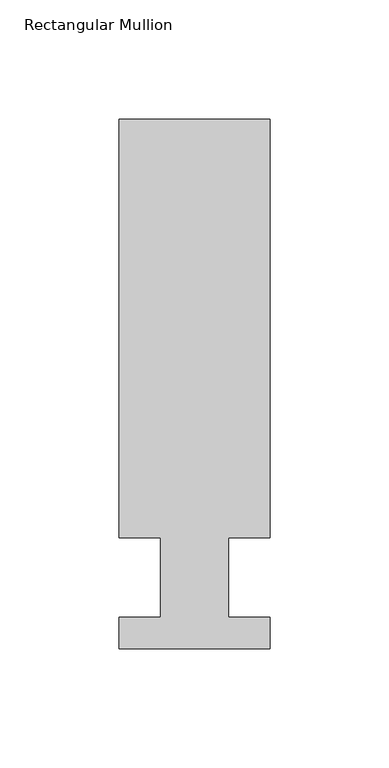
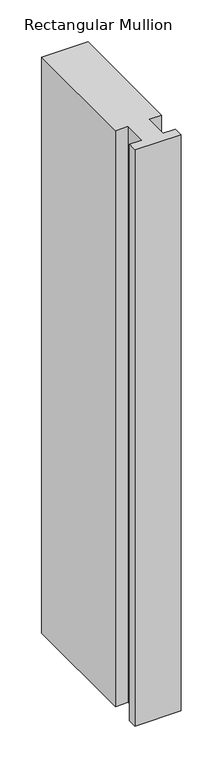
"""IFC4 building model written with IfcOpenShell, lengths in millimetres: member geometry, Rectangular Mullion."""

from ifc_helpers import new_model, si_unit, frame, origin, place, context, project, spatial, polyline, outline, extrude, source, transform, mapped, element, save


def rectangular_mullion_7f65aaeb(model_context):
    return source(origin(), model_context, "Body", "SweptSolid", [
        extrude(outline(polyline([(31.7499999, 222.5381312), (31.7499999, 46.7447312), (14.2748005, 46.7447312), (14.2748005, 13.3945312), (31.75, 13.3945312), (31.75, 0.2119312), (-31.75, 0.2119312), (-31.75, 13.3945312), (-14.2748005, 13.3945312), (-14.2748005, 46.7447312), (-31.7500005, 46.7447312), (-31.7500005, 222.5381312), (31.7499999, 222.5381312)])), frame((0.0, 0.0, -838.2), z_axis=(0.0, 0.0, 1.0), x_axis=(1.0, 0.0, 0.0)), (0.0, 0.0, 1.0), 838.2),
    ])


if __name__ == "__main__":
    model = new_model("IFC4")
    model_context = context("Model", 3, world=origin())
    ifc_project = project(units=[si_unit("LENGTHUNIT", "METRE", prefix="MILLI")], contexts=[model_context])
    site = spatial("IfcSite", under=ifc_project)
    building = spatial("IfcBuilding", under=site)
    placement = place(None, origin())
    rectangular_mullion_shape = rectangular_mullion_7f65aaeb(model_context)
    element("IfcMember", 1, ObjectType="Rectangular Mullion", at=placement, inside=building, context=model_context, shape_type="MappedRepresentation", body=[
        mapped(rectangular_mullion_shape, transform((0.0, 0.0, 0.0), x_axis=(1.0, 0.0, 0.0), y_axis=(0.0, 1.0, 0.0), z_axis=(0.0, 0.0, 1.0))),
    ])
    save(model, "model.ifc")
